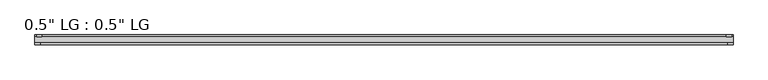
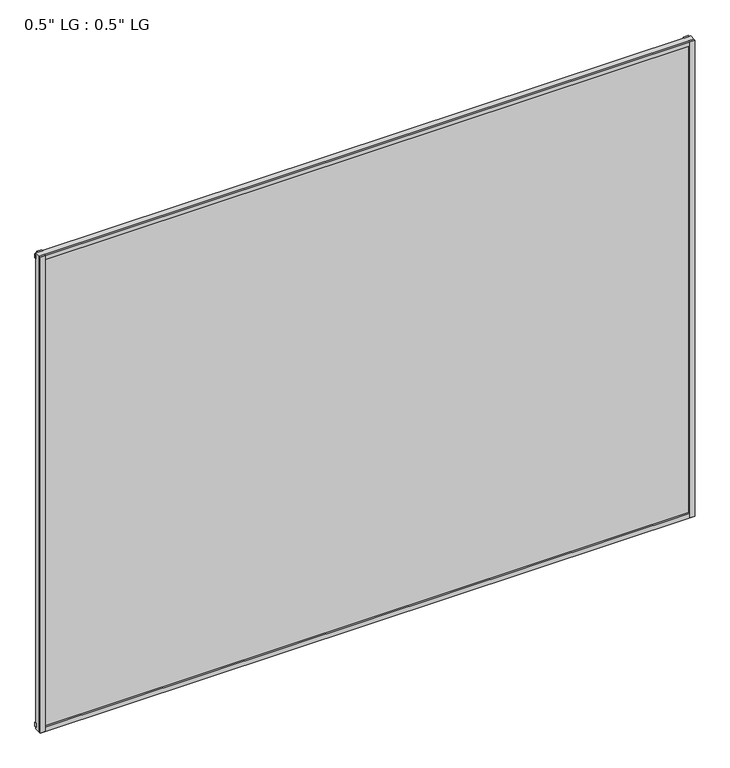
"""IFC4 building model written with IfcOpenShell, lengths in millimetres: plate geometry."""

from ifc_helpers import new_model, si_unit, frame, origin, origin_with_axes, place, context, project, spatial, polyline, outline, extrude, source, transform, mapped, element, save


def plate_e5662d7a(model_context):
    return source(origin(), model_context, "Body", "SweptSolid", [
        extrude(outline(polyline([(809.625, -33.3271813), (809.625, -38.0007813), (797.4873204, -38.0007813), (797.4873204, -33.3271813), (809.625, -33.3271813)])), origin_with_axes(), (0.0, 0.0, 1.0), 1243.7923299),
        extrude(outline(polyline([(806.0936463, -15.5217813), (806.0936463, -19.7127813), (794.0812225, -19.7127813), (794.0812225, -15.5217813), (806.0936463, -15.5217813)])), origin_with_axes(), (0.0, 0.0, 1.0), 1243.7923299),
        extrude(outline(polyline([(-797.334422, -38.0007812), (-809.625, -38.0007812), (-809.625, -33.3271813), (-797.334422, -33.3271813), (-797.334422, -38.0007812)])), origin_with_axes(), (0.0, 0.0, 1.0), 1243.7923299),
        extrude(outline(polyline([(-793.3751841, -19.7127813), (-805.6657621, -19.7127813), (-805.6657621, -15.5217812), (-793.3751841, -15.5217812), (-793.3751841, -19.7127813)])), origin_with_axes(), (0.0, 0.0, 1.0), 1243.7923299),
        extrude(outline(polyline([(809.625, -33.3271813), (809.625, -38.0007813), (-809.625, -38.0007812), (-809.625, -33.3271813), (809.625, -33.3271813)])), origin_with_axes(), (0.0, 0.0, 1.0), 11.1693096),
        extrude(outline(polyline([(809.625, -15.3590708), (809.625, -20.1364307), (-809.625, -20.1364307), (-809.625, -15.3590708), (809.625, -15.3590708)])), frame((0.0, 0.0, 3.848913), z_axis=(0.0, 0.0, 1.0), x_axis=(1.0, 0.0, 0.0)), (0.0, 0.0, 1.0), 11.1693096),
        extrude(outline(polyline([(809.625, -33.3271813), (809.625, -38.0007813), (-809.625, -38.0007812), (-809.625, -33.3271813), (809.625, -33.3271813)])), frame((0.0, 0.0, 1232.611224), z_axis=(0.0, 0.0, 1.0), x_axis=(1.0, 0.0, 0.0)), (0.0, 0.0, 1.0), 11.1811058),
        extrude(outline(polyline([(809.625, -15.5217813), (809.625, -19.7127813), (-809.625, -19.7127812), (-809.625, -15.5217813), (809.625, -15.5217813)])), frame((0.0, 0.0, 1228.0520773), z_axis=(0.0, 0.0, 1.0), x_axis=(1.0, 0.0, 0.0)), (0.0, 0.0, 1.0), 11.1811058),
        extrude(outline(polyline([(809.625, -33.3271812), (-809.625, -33.3271812), (-809.625, -19.7127812), (809.625, -19.7127812), (809.625, -33.3271812)])), origin_with_axes(), (0.0, 0.0, 1.0), 1243.7923299),
    ])


if __name__ == "__main__":
    model = new_model("IFC4")
    model_context = context("Model", 3, world=origin())
    ifc_project = project(units=[si_unit("LENGTHUNIT", "METRE", prefix="MILLI")], contexts=[model_context])
    site = spatial("IfcSite", under=ifc_project)
    building = spatial("IfcBuilding", under=site)
    placement = place(None, origin())
    plate_shape = plate_e5662d7a(model_context)
    element("IfcPlate", 1, ObjectType="0.5\" LG : 0.5\" LG", at=placement, inside=building, context=model_context, shape_type="MappedRepresentation", body=[
        mapped(plate_shape, transform((0.0, 0.0, 0.0), x_axis=(1.0, 0.0, 0.0), y_axis=(0.0, 1.0, 0.0), z_axis=(0.0, 0.0, 1.0))),
    ])
    save(model, "model.ifc")
